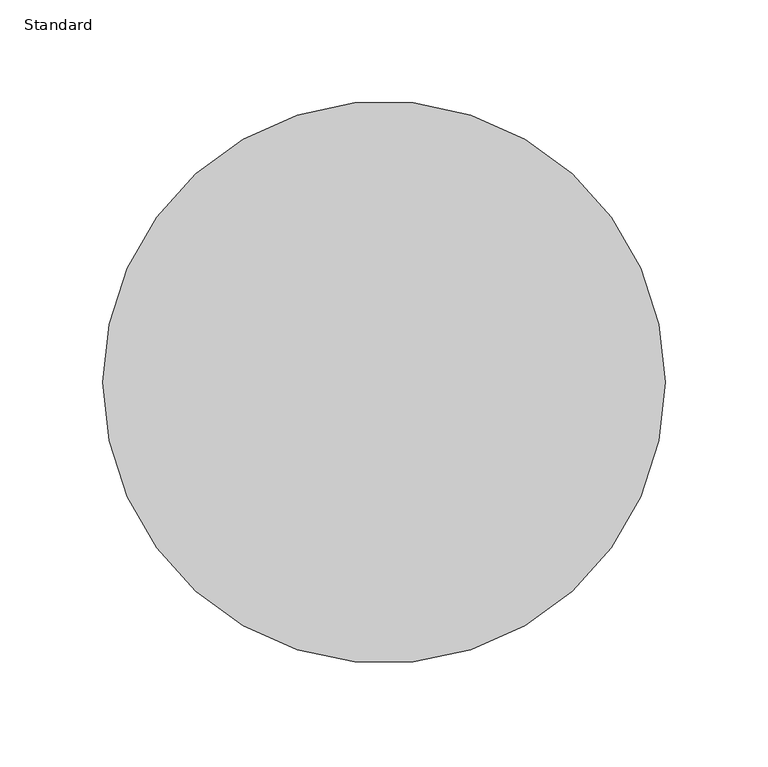
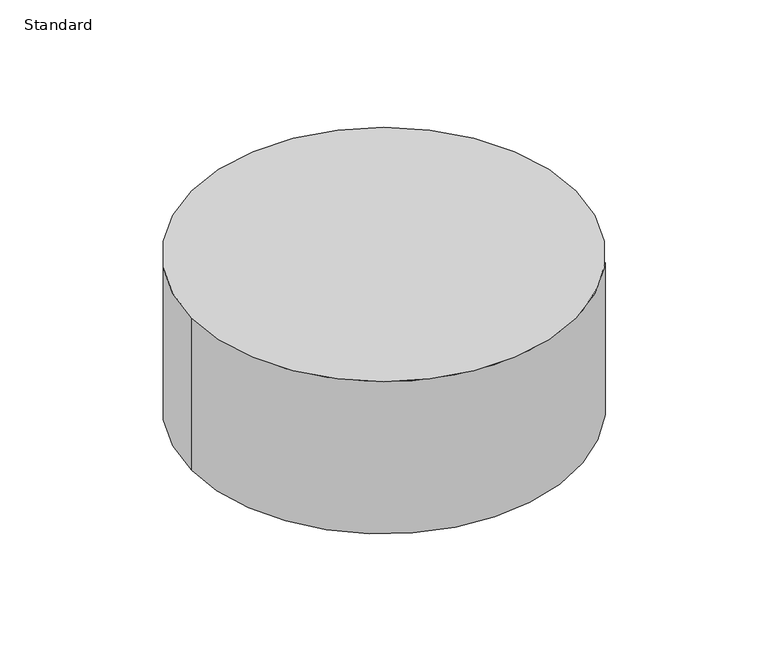
"""IFC4 building model written with IfcOpenShell, lengths in millimetres: proxy geometry, Standard."""

from ifc_helpers import new_model, si_unit, point, frame, origin, origin_2d, place, context, project, spatial, circle_curve, trimmed, segment, composite_curve, outline, extrude, source, transform, mapped, element, save


def standard_4c07ebd1(model_context):
    return source(origin(), model_context, "Body", "SweptSolid", [
        extrude(outline(composite_curve([segment(trimmed(circle_curve(origin_2d(), 136.525), [point((-136.525, 0.0))], [point((136.525, 0.0))], False, "CARTESIAN"), True, "CONTINUOUS"), segment(trimmed(circle_curve(origin_2d(), 136.525), [point((136.525, 0.0))], [point((-136.525, 0.0))], False, "CARTESIAN"), True, "CONTINUOUS")], self_intersect=False)), frame((0.0, 0.0, -88.9), z_axis=(0.0, 0.0, 1.0), x_axis=(1.0, 0.0, 0.0)), (0.0, 0.0, 1.0), 114.3),
    ])


if __name__ == "__main__":
    model = new_model("IFC4")
    model_context = context("Model", 3, world=origin())
    ifc_project = project(units=[si_unit("LENGTHUNIT", "METRE", prefix="MILLI")], contexts=[model_context])
    site = spatial("IfcSite", under=ifc_project)
    building = spatial("IfcBuilding", under=site)
    placement = place(None, origin())
    standard_shape = standard_4c07ebd1(model_context)
    element("IfcBuildingElementProxy", 1, Name="Standard", ObjectType="Standard", at=placement, inside=building, context=model_context, shape_type="MappedRepresentation", body=[
        mapped(standard_shape, transform((0.0, 0.0, 0.0), x_axis=(1.0, 0.0, 0.0), y_axis=(0.0, 1.0, 0.0), z_axis=(0.0, 0.0, 1.0))),
    ])
    save(model, "model.ifc")
